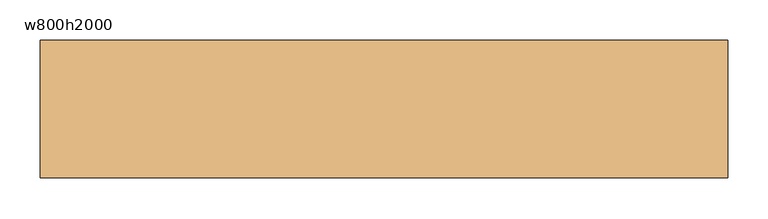
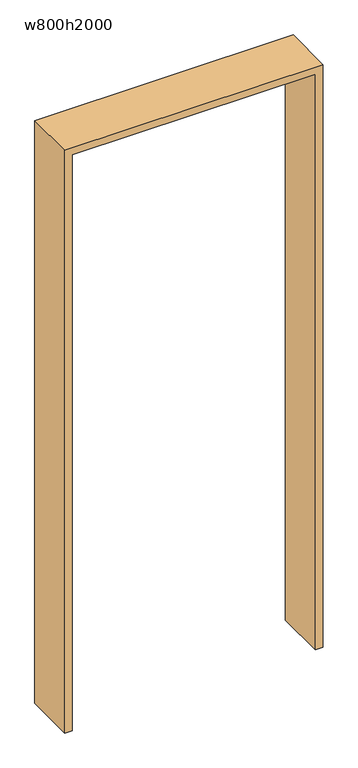
"""IFC4 building model written with IfcOpenShell, lengths in millimetres: door geometry, w800h2000."""

import ifcopenshell
import ifcopenshell.guid

model = None  # the IFC model being written
_history = None  # IfcOwnerHistory: only IFC2X3 demands one
_inside = {}  # id of a spatial element -> (the spatial element, [elements in it])
_under = {}  # id of a project, library or spatial element -> (it, [spatial elements below it])
_declared = {}  # id of a project -> (the project, [libraries it declares])
_typed = {}  # id of a type object -> (the type object, [elements of that type])
_made_of = {}  # id of a material, layer set ... -> (it, [elements and type objects made of it])


def new_model(schema):
    """Start an empty IFC model of exactly this schema.

    Asked for "IFC4X3", IfcOpenShell would pick the latest addendum, in which some entities
    have other attributes; the version numbers below select the first issue.
    IFC2X3 requires an IfcOwnerHistory on every rooted entity: one is made here for all.
    """
    global model, _history
    if schema == "IFC4X3":
        model = ifcopenshell.file(schema_version=(4, 3, 0, 0))
    else:
        model = ifcopenshell.file(schema=schema)
    _inside.clear()
    _under.clear()
    _declared.clear()
    _typed.clear()
    _made_of.clear()
    _history = None
    if model.schema == "IFC2X3":
        org = make("IfcOrganization", Name="unknown")
        user = make(
            "IfcPersonAndOrganization",
            ThePerson=make("IfcPerson", FamilyName="unknown"),
            TheOrganization=org,
        )
        app = make(
            "IfcApplication",
            ApplicationDeveloper=org,
            Version="unknown",
            ApplicationFullName="unknown",
            ApplicationIdentifier="unknown",
        )
        _history = make(
            "IfcOwnerHistory",
            OwningUser=user,
            OwningApplication=app,
            ChangeAction="ADDED",
            CreationDate=0,
        )
    return model


def make(cls, **values):
    """One entity of the class cls with the attributes given. An attribute that is None is left unset."""
    return model.create_entity(
        cls, **{name: value for name, value in values.items() if value is not None}
    )


def rooted(cls, **values):
    """An entity with a GlobalId (a new one), such as an element, a storey or a relation."""
    return make(cls, GlobalId=ifcopenshell.guid.new(), OwnerHistory=_history, **values)


def si_unit(unit_type, name, prefix=None):
    """IfcSIUnit, for example si_unit("LENGTHUNIT", "METRE", prefix="MILLI")."""
    return make("IfcSIUnit", UnitType=unit_type, Prefix=prefix, Name=name)


def assignment(units):
    """IfcUnitAssignment: the units of a project."""
    return None if units is None else make("IfcUnitAssignment", Units=units)


def point(xyz):
    """IfcCartesianPoint."""
    return None if xyz is None else make("IfcCartesianPoint", Coordinates=xyz)


def direction(xyz):
    """IfcDirection."""
    return None if xyz is None else make("IfcDirection", DirectionRatios=xyz)


def frame(location, z_axis=None, x_axis=None):
    """IfcAxis2Placement3D, a coordinate frame: its origin and axes. An axis left out is left unset."""
    return make(
        "IfcAxis2Placement3D",
        Location=point(location),
        Axis=direction(z_axis),
        RefDirection=direction(x_axis),
    )


def origin():
    """The frame at (0, 0, 0) with its axes left unset."""
    return frame((0.0, 0.0, 0.0))


def place(relative_to, where):
    """IfcLocalPlacement: puts the frame where relative to a parent placement (None: the world)."""
    return make(
        "IfcLocalPlacement", PlacementRelTo=relative_to, RelativePlacement=where
    )


def context(
    kind, dimensions, precision=None, world=None, true_north=None, identifier=None
):
    """IfcGeometricRepresentationContext, for example the 3D "Model" context."""
    return make(
        "IfcGeometricRepresentationContext",
        ContextIdentifier=identifier,
        ContextType=kind,
        CoordinateSpaceDimension=dimensions,
        Precision=precision,
        WorldCoordinateSystem=world,
        TrueNorth=true_north,
    )


def project(units=None, contexts=None):
    """IfcProject with its units and contexts."""
    return rooted(
        "IfcProject",
        Name="project",
        RepresentationContexts=contexts,
        UnitsInContext=assignment(units),
    )


def spatial(cls, under=None, at=None, **own):
    """A site, building, storey or space (cls), placed at a placement, below another one or the project."""
    s = rooted(cls, ObjectPlacement=at, **own)
    if under is not None:
        _under.setdefault(under.id(), (under, []))[1].append(s)
    return s


def polyline(points):
    """IfcPolyline through the points."""
    return make("IfcPolyline", Points=[point(p) for p in points])


def outline(outer, holes=None, kind="AREA"):
    """IfcArbitraryClosedProfileDef: a profile drawn as a closed curve; with holes, ...WithVoids."""
    if holes is None:
        return make("IfcArbitraryClosedProfileDef", ProfileType=kind, OuterCurve=outer)
    return make(
        "IfcArbitraryProfileDefWithVoids",
        ProfileType=kind,
        OuterCurve=outer,
        InnerCurves=holes,
    )


def extrude(swept, where, along, depth):
    """IfcExtrudedAreaSolid: the profile swept, set in the frame where, extruded along a direction by depth."""
    return make(
        "IfcExtrudedAreaSolid",
        SweptArea=swept,
        Position=where,
        ExtrudedDirection=direction(along),
        Depth=depth,
    )


def shape(context_of_items, identifier, shape_type, items):
    """IfcShapeRepresentation: the items that make up one representation, for example the "Body"."""
    return make(
        "IfcShapeRepresentation",
        ContextOfItems=context_of_items,
        RepresentationIdentifier=identifier,
        RepresentationType=shape_type,
        Items=items,
    )


def source(mapping_origin, context_of_items, identifier, shape_type, items):
    """IfcRepresentationMap: a shape defined once, which mapped items show again and again."""
    return make(
        "IfcRepresentationMap",
        MappingOrigin=mapping_origin,
        MappedRepresentation=shape(context_of_items, identifier, shape_type, items),
    )


def transform(
    local_origin,
    x_axis=None,
    y_axis=None,
    z_axis=None,
    scale=None,
    scale2=None,
    scale3=None,
    uniform=True,
):
    """IfcCartesianTransformationOperator3D, or its non-uniform kind. x_axis, y_axis, z_axis: its Axis1, 2, 3."""
    if uniform:
        return make(
            "IfcCartesianTransformationOperator3D",
            Axis1=direction(x_axis),
            Axis2=direction(y_axis),
            LocalOrigin=point(local_origin),
            Scale=scale,
            Axis3=direction(z_axis),
        )
    return make(
        "IfcCartesianTransformationOperator3DnonUniform",
        Axis1=direction(x_axis),
        Axis2=direction(y_axis),
        LocalOrigin=point(local_origin),
        Scale=scale,
        Axis3=direction(z_axis),
        Scale2=scale2,
        Scale3=scale3,
    )


def mapped(mapping_source, mapping_target):
    """IfcMappedItem: shows the shape of a source again, moved by a transform."""
    return make(
        "IfcMappedItem", MappingSource=mapping_source, MappingTarget=mapping_target
    )


def made_of(thing, what):
    """Note that an element or type object is made of a material, layer set ...; save() writes the relation."""
    if what is not None:
        _made_of.setdefault(what.id(), (what, []))[1].append(thing)
    return thing


def element(
    cls,
    number,
    at=None,
    inside=None,
    cuts=None,
    type_object=None,
    material=None,
    context=None,
    identifier="Body",
    shape_type=None,
    held_by="IfcProductDefinitionShape",
    body=None,
    shapes=None,
    **own,
):
    """One element of the class cls, such as IfcWall. Its Tag is "e" and its number.

    at: its placement. inside: the storey or other place that contains it. cuts: it is an
    opening in that element (IfcRelVoidsElement). A single representation is given by context,
    identifier, shape_type and body (its items); several are given by shapes. held_by: the class
    of the entity that holds the representations. save() writes the other relations.
    """
    e = rooted(cls, Tag="e%d" % number, ObjectPlacement=at, **own)
    if body is not None:
        shapes = [shape(context, identifier, shape_type, body)]
    if shapes is not None:
        e.Representation = make(held_by, Representations=shapes)
    if inside is not None:
        _inside.setdefault(inside.id(), (inside, []))[1].append(e)
    if cuts is not None:
        rooted(
            "IfcRelVoidsElement", RelatingBuildingElement=cuts, RelatedOpeningElement=e
        )
    if type_object is not None:
        _typed.setdefault(type_object.id(), (type_object, []))[1].append(e)
    return made_of(e, material)


def aggregate(whole, parts):
    """IfcRelAggregates: a whole, such as a stair, and the parts it consists of."""
    return rooted("IfcRelAggregates", RelatingObject=whole, RelatedObjects=parts)


def save(model, path):
    """Write the relations noted so far, then the file.

    IfcRelAggregates (storeys below a building ...), IfcRelContainedInSpatialStructure (elements
    in a storey), IfcRelDefinesByType, IfcRelAssociatesMaterial and IfcRelDeclares: one each for
    every whole, place, type object, material and project.
    """
    for whole, parts in _under.values():
        aggregate(whole, parts)
    for where, things in _inside.values():
        rooted(
            "IfcRelContainedInSpatialStructure",
            RelatedElements=things,
            RelatingStructure=where,
        )
    for kind, things in _typed.values():
        rooted("IfcRelDefinesByType", RelatedObjects=things, RelatingType=kind)
    for what, things in _made_of.values():
        rooted("IfcRelAssociatesMaterial", RelatedObjects=things, RelatingMaterial=what)
    for by, libraries in _declared.values():
        rooted("IfcRelDeclares", RelatingContext=by, RelatedDefinitions=libraries)
    model.write(path)


def w800h2000_a3277af1(model_context):
    return source(origin(), model_context, "Body", "SweptSolid", [
        extrude(outline(polyline([(0.0, -425.0), (0.0, -400.0), (2000.0, -400.0), (2000.0, 400.0), (0.0, 400.0), (0.0, 425.0), (2025.0, 425.0), (2025.0, -425.0), (0.0, -425.0)])), frame((0.0, -85.0, 0.0), z_axis=(0.0, 1.0, 0.0), x_axis=(0.0, 0.0, 1.0)), (0.0, 0.0, 1.0), 170.0),
    ])


if __name__ == "__main__":
    model = new_model("IFC4")
    model_context = context("Model", 3, world=origin())
    ifc_project = project(units=[si_unit("LENGTHUNIT", "METRE", prefix="MILLI")], contexts=[model_context])
    site = spatial("IfcSite", under=ifc_project)
    building = spatial("IfcBuilding", under=site)
    placement = place(None, origin())
    w800h2000_shape = w800h2000_a3277af1(model_context)
    element("IfcDoor", 1, ObjectType="w800h2000", at=placement, inside=building, context=model_context, shape_type="MappedRepresentation", body=[
        mapped(w800h2000_shape, transform((0.0, 0.0, 0.0), x_axis=(1.0, 0.0, 0.0), y_axis=(0.0, 1.0, 0.0), z_axis=(0.0, 0.0, 1.0))),
    ])
    save(model, "model.ifc")
